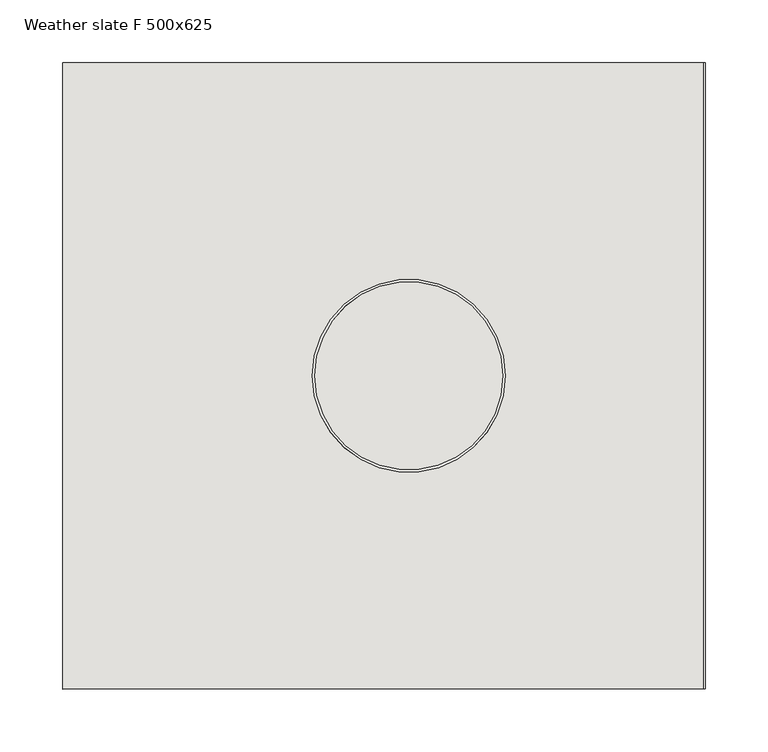
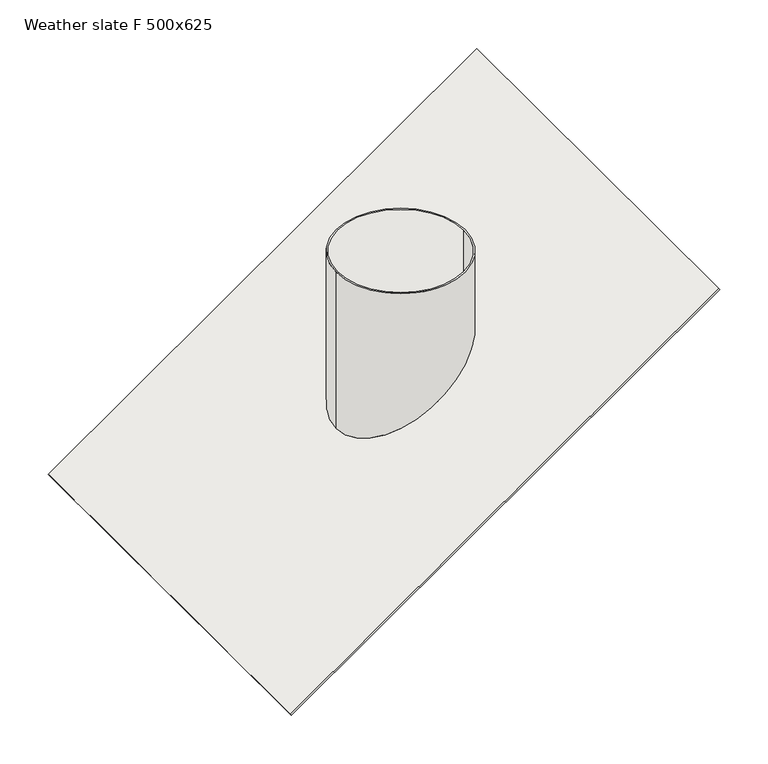
"""IFC4 building model written with IfcOpenShell, lengths in millimetres: covering geometry, Weather slate F 500x625."""

from ifc_helpers import new_model, si_unit, frame, origin, place, context, project, spatial, polyline, circle_curve, ellipse_curve, source, transform, mapped, element, save
from ifc_brep_helpers import plane_surface, cylinder_surface, revolved_surface, advanced_brep


def weather_slate_f_500x625_840b966f(model_context):
    return source(origin(), model_context, "Body", "AdvancedBrep", [
        advanced_brep(
        [(236.7349408, -250.0, 165.7635901), (235.5877879, -250.0, 167.4018942), (-276.3822398, -250.0, -191.0833785), (-275.2350869, -250.0, -192.7216826), (236.7349408, 250.0, 165.7635901), (-275.2350869, 250.0, -192.7216826), (-276.3822398, 250.0, -191.0833785), (235.5877879, 250.0, 167.4018942), (77.0, 0.0, 56.3575296), (-77.0, 0.0, -51.4744313), (75.0, 0.0, 54.9571145), (-75.0, 0.0, -50.0740162), (-77.0, 0.0, 145.8090639), (77.0, 0.0, 145.8090639), (-75.0, 0.0, 145.8090639), (75.0, 0.0, 145.8090639)],
        [
            (0, 1),
            (1, 2),
            (2, 3),
            (3, 0),
            (4, 5),
            (5, 6),
            (6, 7),
            (7, 4),
            (0, 4),
            (7, 1),
            (6, 2),
            (8, 9, ellipse_curve(frame((0.0, 0.0, 2.4415492), z_axis=(0.5735764363510466, 0.0, -0.8191520442889915), x_axis=(0.8191520442889915, 0.0, 0.5735764363510464)), 93.9996433, 77.0)),
            (9, 8, ellipse_curve(frame((0.0, 0.0, 2.4415492), z_axis=(0.5735764363510466, 0.0, -0.8191520442889915), x_axis=(0.8191520442889915, 0.0, 0.5735764363510464)), 93.9996433, 77.0)),
            (10, 11, ellipse_curve(frame((0.0, 0.0, 2.4415492), z_axis=(-0.5735764363510466, 0.0, 0.8191520442889915), x_axis=(-0.8191520442889915, 0.0, -0.5735764363510464)), 91.5580942, 75.0)),
            (11, 10, ellipse_curve(frame((0.0, 0.0, 2.4415492), z_axis=(-0.5735764363510466, 0.0, 0.8191520442889915), x_axis=(-0.8191520442889915, 0.0, -0.5735764363510464)), 91.5580942, 75.0)),
            (5, 3),
            (12, 13, circle_curve(frame((0.0, 0.0, 145.8090639), z_axis=(0.0, 0.0, 1.0), x_axis=(1.0, 0.0, 0.0)), 77.0)),
            (13, 12, circle_curve(frame((0.0, 0.0, 145.8090639), z_axis=(0.0, 0.0, 1.0), x_axis=(1.0, 0.0, 0.0)), 77.0)),
            (14, 15, circle_curve(frame((0.0, 0.0, 145.8090639), z_axis=(0.0, 0.0, -1.0), x_axis=(1.0, 0.0, 0.0)), 75.0)),
            (15, 14, circle_curve(frame((0.0, 0.0, 145.8090639), z_axis=(0.0, 0.0, -1.0), x_axis=(1.0, 0.0, 0.0)), 75.0)),
            (12, 9),
            (8, 13),
            (14, 11),
            (10, 15),
        ],
        [
            plane_surface(frame((236.7349408, -250.0, 165.7635901), z_axis=(0.0, -1.0000000000000002, 0.0), x_axis=(-0.5735764363510653, 0.0, 0.8191520442889785))),
            plane_surface(frame((236.7349408, 250.0, 165.7635901), z_axis=(0.0, 1.0000000000000002, 0.0), x_axis=(0.5735764363510653, 0.0, -0.8191520442889785))),
            plane_surface(frame((236.7349408, -250.0, 165.7635901), z_axis=(0.8191520442889785, 0.0, 0.5735764363510653), x_axis=(0.0, 1.0, 0.0))),
            plane_surface(frame((235.5877879, -250.0, 167.4018942), z_axis=(-0.5735764363510466, 0.0, 0.8191520442889915), x_axis=(0.0, 1.0, 0.0))),
            plane_surface(frame((-276.3822398, -250.0, -191.0833785), z_axis=(-0.8191520442889896, 0.0, -0.5735764363510493), x_axis=(0.0, 1.0, 0.0))),
            plane_surface(frame((77.0, 0.0, 145.8090639), z_axis=(0.0, 0.0, 1.0), x_axis=(0.0, 1.0, 0.0))),
            cylinder_surface(frame((0.0, 0.0, -53.9159804), z_axis=(0.0, 0.0, 1.0), x_axis=(1.0, 0.0, 0.0)), 77.0),
            revolved_surface(polyline([(75.0, 0.0, -50.0740162), (75.0, 0.0, 145.8090639)]), (0.0, 0.0, 0.0), (0.0, 0.0, -1.0)),
            plane_surface(frame((77.0, -250.0, 53.9159804), z_axis=(0.5735764363510478, 0.0, -0.8191520442889907), x_axis=(0.0, 1.0, 0.0))),
        ],
        [
            (0, [[1, 2, 3, 4]]),
            (1, [[5, 6, 7, 8]]),
            (2, [[-1, 9, -8, 10]]),
            (3, [[-2, -10, -7, 11], [12, 13]]),
            (3, [[14, 15]]),
            (4, [[-3, -11, -6, 16]]),
            (5, [[17, 18], [19, 20]]),
            (6, [[-17, 21, -12, 22]]),
            (6, [[-18, -22, -13, -21]]),
            (7, [[-19, 23, -14, 24]]),
            (7, [[-20, -24, -15, -23]]),
            (8, [[-4, -16, -5, -9]]),
        ],
    ),
    ])


if __name__ == "__main__":
    model = new_model("IFC4")
    model_context = context("Model", 3, world=origin())
    ifc_project = project(units=[si_unit("LENGTHUNIT", "METRE", prefix="MILLI")], contexts=[model_context])
    site = spatial("IfcSite", under=ifc_project)
    building = spatial("IfcBuilding", under=site)
    placement = place(None, origin())
    weather_slate_f_500x625_shape = weather_slate_f_500x625_840b966f(model_context)
    element("IfcCovering", 1, ObjectType="Weather slate F 500x625", at=placement, inside=building, context=model_context, shape_type="MappedRepresentation", body=[
        mapped(weather_slate_f_500x625_shape, transform((0.0, 0.0, 0.0), x_axis=(1.0, 0.0, 0.0), y_axis=(0.0, 1.0, 0.0), z_axis=(0.0, 0.0, 1.0))),
    ])
    save(model, "model.ifc")
